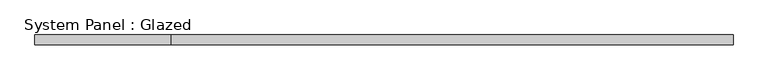
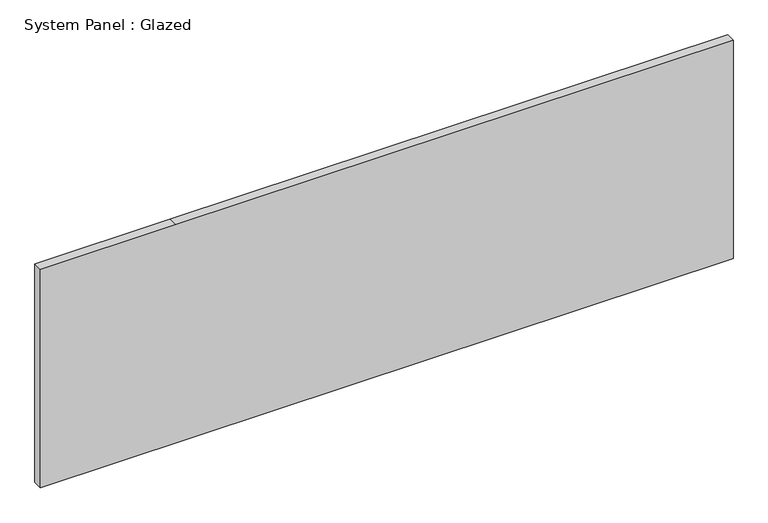
"""IFC4 building model written with IfcOpenShell, lengths in millimetres: plate geometry, System Panel : Glazed."""

from ifc_helpers import new_model, si_unit, frame, origin, place, context, project, spatial, polyline, outline, extrude, source, transform, mapped, element, save


def system_panel_glazed_0fe7aa77(model_context):
    return source(origin(), model_context, "Body", "SweptSolid", [
        extrude(outline(polyline([(0.0, -914.4), (0.0, 914.4), (609.6, 914.4), (609.6, -557.049969), (609.6, -914.4), (0.0, -914.4)])), frame((0.0, 19.05, 0.0), z_axis=(0.0, 1.0, 0.0), x_axis=(0.0, 0.0, 1.0)), (0.0, 0.0, 1.0), 25.4),
    ])


if __name__ == "__main__":
    model = new_model("IFC4")
    model_context = context("Model", 3, world=origin())
    ifc_project = project(units=[si_unit("LENGTHUNIT", "METRE", prefix="MILLI")], contexts=[model_context])
    site = spatial("IfcSite", under=ifc_project)
    building = spatial("IfcBuilding", under=site)
    placement = place(None, origin())
    system_panel_glazed_shape = system_panel_glazed_0fe7aa77(model_context)
    element("IfcPlate", 1, ObjectType="System Panel : Glazed", at=placement, inside=building, context=model_context, shape_type="MappedRepresentation", body=[
        mapped(system_panel_glazed_shape, transform((0.0, 0.0, 0.0), x_axis=(1.0, 0.0, 0.0), y_axis=(0.0, 1.0, 0.0), z_axis=(0.0, 0.0, 1.0))),
    ])
    save(model, "model.ifc")
